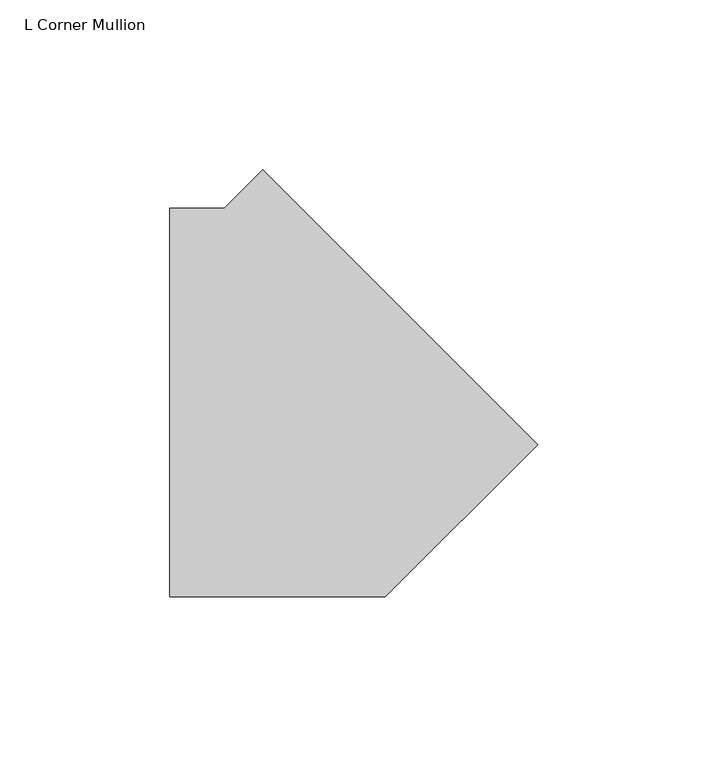
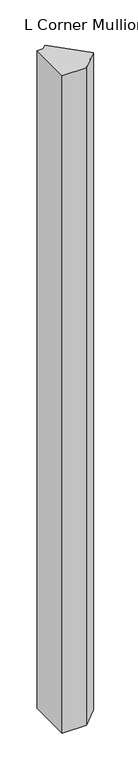
"""IFC4 building model written with IfcOpenShell, lengths in millimetres: member geometry, L Corner Mullion."""

from ifc_helpers import new_model, si_unit, frame, origin, place, context, project, spatial, polyline, outline, extrude, source, transform, mapped, element, save


def l_corner_mullion_f14474ff(model_context):
    return source(origin(), model_context, "Body", "SweptSolid", [
        extrude(outline(polyline([(68.4744529, -12.3478522), (23.6723051, -57.15), (-39.6875, -57.15), (-39.6875, 57.15), (-23.6723051, 57.15), (-12.3478522, 68.4744529), (68.4744529, -12.3478522)])), frame((0.0, 0.0, -1828.8), z_axis=(0.0, 0.0, 1.0), x_axis=(1.0, 0.0, 0.0)), (0.0, 0.0, 1.0), 1828.8),
    ])


if __name__ == "__main__":
    model = new_model("IFC4")
    model_context = context("Model", 3, world=origin())
    ifc_project = project(units=[si_unit("LENGTHUNIT", "METRE", prefix="MILLI")], contexts=[model_context])
    site = spatial("IfcSite", under=ifc_project)
    building = spatial("IfcBuilding", under=site)
    placement = place(None, origin())
    l_corner_mullion_shape = l_corner_mullion_f14474ff(model_context)
    element("IfcMember", 1, ObjectType="L Corner Mullion", at=placement, inside=building, context=model_context, shape_type="MappedRepresentation", body=[
        mapped(l_corner_mullion_shape, transform((0.0, 0.0, 0.0), x_axis=(1.0, 0.0, 0.0), y_axis=(0.0, 1.0, 0.0), z_axis=(0.0, 0.0, 1.0))),
    ])
    save(model, "model.ifc")
